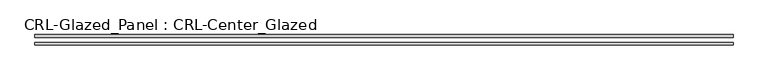
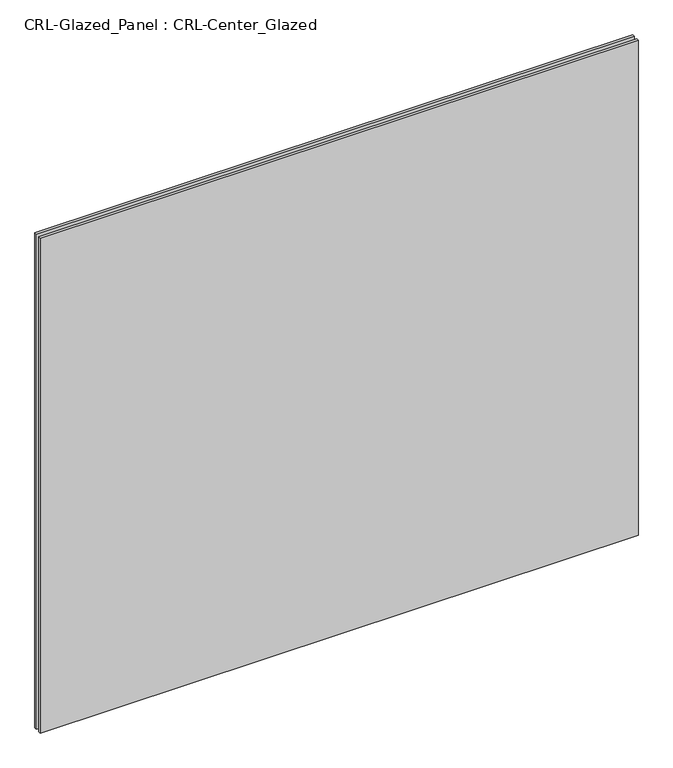
"""IFC4 building model written with IfcOpenShell, lengths in millimetres: plate geometry, CRL-Glazed_Panel : CRL-Center_Glazed."""

from ifc_helpers import new_model, si_unit, origin, origin_with_axes, place, context, project, spatial, polyline, outline, extrude, source, transform, mapped, element, save


def crl_glazed_panel_crl_center_glazed_ddc40094(model_context):
    return source(origin(), model_context, "Body", "SweptSolid", [
        extrude(outline(polyline([(839.7874516, 12.7), (839.7874516, 6.35), (-839.7874516, 6.35), (-839.7874516, 12.7), (839.7874516, 12.7)])), origin_with_axes(), (0.0, 0.0, 1.0), 1470.025),
        extrude(outline(polyline([(-839.7874516, -6.35), (839.7874516, -6.35), (839.7874516, -12.7), (-839.7874516, -12.7), (-839.7874516, -6.35)])), origin_with_axes(), (0.0, 0.0, 1.0), 1470.025),
    ])


if __name__ == "__main__":
    model = new_model("IFC4")
    model_context = context("Model", 3, world=origin())
    ifc_project = project(units=[si_unit("LENGTHUNIT", "METRE", prefix="MILLI")], contexts=[model_context])
    site = spatial("IfcSite", under=ifc_project)
    building = spatial("IfcBuilding", under=site)
    placement = place(None, origin())
    crl_glazed_panel_crl_center_glazed_shape = crl_glazed_panel_crl_center_glazed_ddc40094(model_context)
    element("IfcPlate", 1, ObjectType="CRL-Glazed_Panel : CRL-Center_Glazed", at=placement, inside=building, context=model_context, shape_type="MappedRepresentation", body=[
        mapped(crl_glazed_panel_crl_center_glazed_shape, transform((0.0, 0.0, 0.0), x_axis=(1.0, 0.0, 0.0), y_axis=(0.0, 1.0, 0.0), z_axis=(0.0, 0.0, 1.0))),
    ])
    save(model, "model.ifc")
